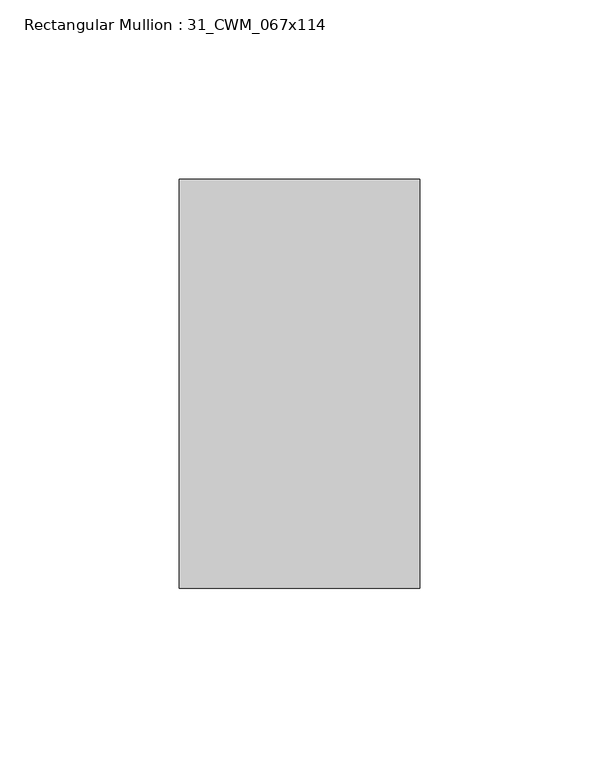
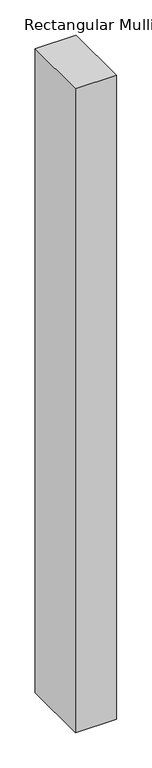
"""IFC4 building model written with IfcOpenShell, lengths in millimetres: member geometry, Rectangular Mullion : 31_CWM_067x114."""

from ifc_helpers import new_model, si_unit, frame, origin, place, context, project, spatial, polyline, outline, extrude, source, transform, mapped, element, save


def rectangular_mullion_31_cwm_067x114_c3326ab5(model_context):
    return source(origin(), model_context, "Body", "SweptSolid", [
        extrude(outline(polyline([(33.5, 0.0), (33.5, -114.0), (-33.5, -114.0), (-33.5, 0.0), (33.5, 0.0)])), frame((0.0, 0.0, -1111.1666667), z_axis=(0.0, 0.0, 1.0), x_axis=(1.0, 0.0, 0.0)), (0.0, 0.0, 1.0), 1111.1666667),
    ])


if __name__ == "__main__":
    model = new_model("IFC4")
    model_context = context("Model", 3, world=origin())
    ifc_project = project(units=[si_unit("LENGTHUNIT", "METRE", prefix="MILLI")], contexts=[model_context])
    site = spatial("IfcSite", under=ifc_project)
    building = spatial("IfcBuilding", under=site)
    placement = place(None, origin())
    rectangular_mullion_31_cwm_067x114_shape = rectangular_mullion_31_cwm_067x114_c3326ab5(model_context)
    element("IfcMember", 1, ObjectType="Rectangular Mullion : 31_CWM_067x114", at=placement, inside=building, context=model_context, shape_type="MappedRepresentation", body=[
        mapped(rectangular_mullion_31_cwm_067x114_shape, transform((0.0, 0.0, 0.0), x_axis=(1.0, 0.0, 0.0), y_axis=(0.0, 1.0, 0.0), z_axis=(0.0, 0.0, 1.0))),
    ])
    save(model, "model.ifc")
